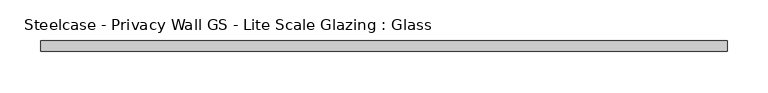
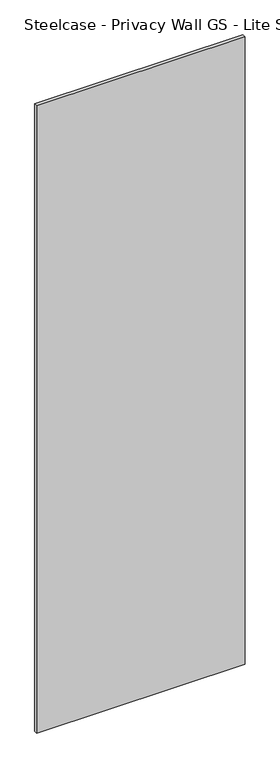
"""IFC4 building model written with IfcOpenShell, lengths in millimetres: plate geometry, Steelcase - Privacy Wall GS - Lite Scale Glazing : Glass."""

from ifc_helpers import new_model, si_unit, origin, origin_with_axes, place, context, project, spatial, polyline, outline, extrude, source, transform, mapped, element, save


def steelcase_privacy_wall_gs_lite_scale_glazing_glass_9be57853(model_context):
    return source(origin(), model_context, "Body", "SweptSolid", [
        extrude(outline(polyline([(-419.0752638, -6.349956), (-419.0752638, 6.3502015), (419.0752638, 6.3502015), (419.0752638, -6.349956), (-419.0752638, -6.349956)])), origin_with_axes(), (0.0, 0.0, 1.0), 2665.984),
    ])


if __name__ == "__main__":
    model = new_model("IFC4")
    model_context = context("Model", 3, world=origin())
    ifc_project = project(units=[si_unit("LENGTHUNIT", "METRE", prefix="MILLI")], contexts=[model_context])
    site = spatial("IfcSite", under=ifc_project)
    building = spatial("IfcBuilding", under=site)
    placement = place(None, origin())
    steelcase_privacy_wall_gs_lite_scale_glazing_glass_shape = steelcase_privacy_wall_gs_lite_scale_glazing_glass_9be57853(model_context)
    element("IfcPlate", 1, ObjectType="Steelcase - Privacy Wall GS - Lite Scale Glazing : Glass", at=placement, inside=building, context=model_context, shape_type="MappedRepresentation", body=[
        mapped(steelcase_privacy_wall_gs_lite_scale_glazing_glass_shape, transform((0.0, 0.0, 0.0), x_axis=(1.0, 0.0, 0.0), y_axis=(0.0, 1.0, 0.0), z_axis=(0.0, 0.0, 1.0))),
    ])
    save(model, "model.ifc")
